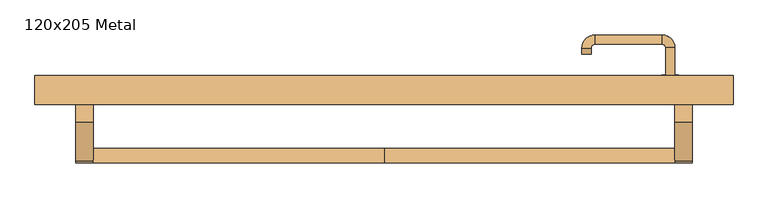
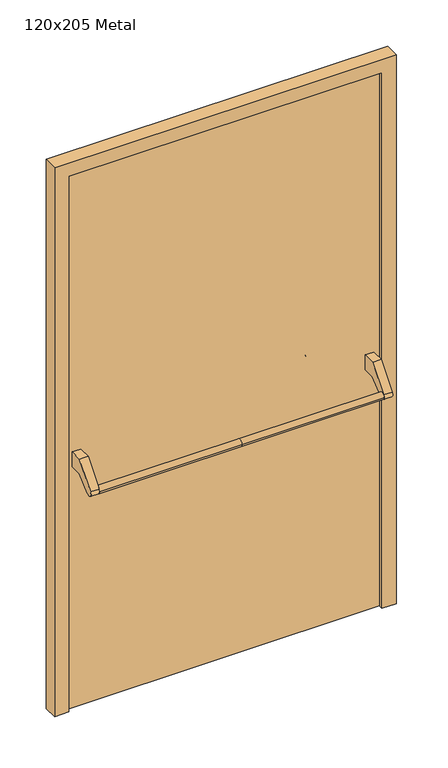
"""IFC4 building model written with IfcOpenShell, lengths in millimetres: door geometry, 120x205 Metal."""

from ifc_helpers import new_model, si_unit, point, frame, frame_2d, origin, origin_with_axes, place, context, project, spatial, polyline, circle_curve, ellipse_curve, trimmed, segment, composite_curve, outline, extrude, source, transform, mapped, element, save
from ifc_brep_helpers import plane_surface, cylinder_surface, revolved_surface, advanced_brep


def door_120x205_metal_583ddefd(model_context):
    return source(origin(), model_context, "Body", "SolidModel", [
        advanced_brep(
        [(-500.0, -25.4171435, 861.5304884), (-500.0, -50.4171435, 861.5304884), (0.0, -25.4171435, 861.5304884), (0.0, -50.4171435, 861.5304884), (500.0, -25.4171435, 861.5304884), (500.0, -50.4171435, 861.5304884)],
        [
            (0, 1, circle_curve(frame((-500.0, -37.9171435, 861.5304884), z_axis=(-1.0, 0.0, 0.0), x_axis=(0.0, -1.0, 0.0)), 12.5)),
            (1, 0, circle_curve(frame((-500.0, -37.9171435, 861.5304884), z_axis=(-1.0, 0.0, 0.0), x_axis=(0.0, -1.0, 0.0)), 12.5)),
            (0, 2),
            (2, 3, circle_curve(frame((0.0, -37.9171435, 861.5304884), z_axis=(-1.0, 0.0, 0.0), x_axis=(0.0, -1.0, 0.0)), 12.5)),
            (3, 1),
            (3, 2, circle_curve(frame((0.0, -37.9171435, 861.5304884), z_axis=(-1.0, 0.0, 0.0), x_axis=(0.0, -1.0, 0.0)), 12.5)),
            (4, 5, circle_curve(frame((500.0, -37.9171435, 861.5304884), z_axis=(1.0, 0.0, 0.0), x_axis=(0.0, -1.0, 0.0)), 12.5)),
            (5, 4, circle_curve(frame((500.0, -37.9171435, 861.5304884), z_axis=(1.0, 0.0, 0.0), x_axis=(0.0, -1.0, 0.0)), 12.5)),
            (5, 3),
            (2, 4),
        ],
        [
            plane_surface(frame((-500.0, -50.4171435, 861.5304884), z_axis=(-1.0, 0.0, 0.0), x_axis=(0.0, 0.0, -1.0))),
            cylinder_surface(frame((-500.0, -37.9171435, 861.5304884), z_axis=(1.0, 0.0, 0.0), x_axis=(0.0, -1.0, 0.0)), 12.5),
            plane_surface(frame((500.0, -50.4171435, 861.5304884), z_axis=(1.0, 0.0, 0.0), x_axis=(0.0, 0.0, 1.0))),
            cylinder_surface(frame((0.0, -37.9171435, 861.5304884), z_axis=(1.0, 0.0, 0.0), x_axis=(0.0, -1.0, 0.0)), 12.5),
        ],
        [
            (0, [[1, 2]]),
            (1, [[3, 4, 5, -1]]),
            (1, [[-5, 6, -3, -2]]),
            (2, [[7, 8]]),
            (3, [[9, -4, 10, -8]]),
            (3, [[-10, -6, -9, -7]]),
        ],
    ),
        extrude(outline(composite_curve([segment(polyline([(20.0, 950.0), (65.0, 950.0), (65.0, 895.2768379), (21.4513009, 895.2768379), (-28.3415879, 853.4956432)]), True, "CONTINUOUS"), segment(trimmed(circle_curve(frame_2d((-37.9171435, 861.5304884)), 12.5), [point((-28.3415879, 853.4956432))], [point((-47.492699, 869.5653335))], False, "CARTESIAN"), True, "CONTINUOUS"), segment(polyline([(-47.492699, 869.5653335), (20.0, 950.0)]), True, "CONTINUOUS")], self_intersect=False)), frame((-530.0, 0.0, 0.0), z_axis=(1.0, 0.0, 0.0), x_axis=(0.0, 1.0, 0.0)), (0.0, 0.0, 1.0), 30.0),
        extrude(outline(composite_curve([segment(polyline([(20.0, 950.0), (65.0, 950.0), (65.0, 895.2768379), (21.4513009, 895.2768379), (-28.3415879, 853.4956432)]), True, "CONTINUOUS"), segment(trimmed(circle_curve(frame_2d((-37.9171435, 861.5304884)), 12.5), [point((-28.3415879, 853.4956432))], [point((-47.492699, 869.5653335))], False, "CARTESIAN"), True, "CONTINUOUS"), segment(polyline([(-47.492699, 869.5653335), (20.0, 950.0)]), True, "CONTINUOUS")], self_intersect=False)), frame((500.0, 0.0, 0.0), z_axis=(1.0, 0.0, 0.0), x_axis=(0.0, 1.0, 0.0)), (0.0, 0.0, 1.0), 30.0),
        extrude(outline(composite_curve([segment(trimmed(circle_curve(frame_2d((0.0, -15.0)), 15.0), [point((0.0, -30.0))], [point((0.0, 0.0))], False, "CARTESIAN"), True, "CONTINUOUS"), segment(trimmed(circle_curve(frame_2d((0.0, -15.0)), 15.0), [point((0.0, 0.0))], [point((0.0, -30.0))], False, "CARTESIAN"), True, "CONTINUOUS")], self_intersect=False), holes=[composite_curve([segment(trimmed(circle_curve(frame_2d((4.7772515, -14.9398032)), 2.0), [point((4.7772515, -16.9398032))], [point((4.7772515, -12.9398032))], True, "CARTESIAN"), True, "CONTINUOUS"), segment(polyline([(4.7772515, -12.9398032), (-5.2227485, -12.9398032)]), True, "CONTINUOUS"), segment(trimmed(circle_curve(frame_2d((-5.2227485, -14.9398032)), 2.0), [point((-5.2227485, -12.9398032))], [point((-5.2227485, -16.9398032))], True, "CARTESIAN"), True, "CONTINUOUS"), segment(polyline([(-5.2227485, -16.9398032), (4.7772515, -16.9398032)]), True, "CONTINUOUS")], self_intersect=False)]), frame((477.0, 95.0, 897.3605726), z_axis=(1.8870575173328306e-12, 1.0, 0.0), x_axis=(0.0, 0.0, -1.0)), (0.0, 0.0, 1.0), 6.35),
        extrude(outline(composite_curve([segment(trimmed(circle_curve(frame_2d((0.0, -17.526)), 17.526), [point((0.0, -35.052))], [point((0.0, 0.0))], False, "CARTESIAN"), True, "CONTINUOUS"), segment(trimmed(circle_curve(frame_2d((0.0, -17.526)), 17.526), [point((0.0, 0.0))], [point((0.0, -35.052))], False, "CARTESIAN"), True, "CONTINUOUS")], self_intersect=False)), frame((474.474, 95.0, 950.0), z_axis=(1.8870575173328306e-12, 1.0, 0.0), x_axis=(0.0, 0.0, -1.0)), (0.0, 0.0, 1.0), 3.175),
        advanced_brep(
        [(500.0, 95.0, 950.0), (484.0, 95.0, 950.0), (500.0, 148.0, 950.0), (484.0, 148.0, 950.0), (477.8578644, 154.1421356, 950.0), (477.8578644, 170.1421356, 950.0), (362.8578644, 170.1421356, 950.0), (362.8578644, 154.1421356, 950.0), (356.008622, 147.2928932, 950.0), (340.008622, 147.2928932, 950.0), (340.008622, 137.2928932, 950.0), (356.008622, 137.2928932, 950.0)],
        [
            (0, 1, circle_curve(frame((492.0, 95.0, 950.0), z_axis=(-1.888672253512351e-12, -1.0, 0.0), x_axis=(-1.0, 1.888672253512351e-12, 0.0)), 8.0)),
            (1, 0, circle_curve(frame((492.0, 95.0, 950.0), z_axis=(-1.888672253512351e-12, -1.0, 0.0), x_axis=(-1.0, 1.888672253512351e-12, 0.0)), 8.0)),
            (0, 2),
            (2, 3, circle_curve(frame((492.0, 148.0, 950.0), z_axis=(-1.888672253512351e-12, -1.0, 0.0), x_axis=(-1.0, 1.888672253512351e-12, 0.0)), 8.0)),
            (3, 1),
            (3, 2, circle_curve(frame((492.0, 148.0, 950.0), z_axis=(-1.888672253512351e-12, -1.0, 0.0), x_axis=(-1.0, 1.888672253512351e-12, 0.0)), 8.0)),
            (4, 3, circle_curve(frame((477.8578644, 148.0, 950.0), z_axis=(0.0, 0.0, -1.0), x_axis=(1.0, -1.880717803715015e-12, 0.0)), 6.1421356)),
            (2, 5, circle_curve(frame((477.8578644, 148.0, 950.0), z_axis=(0.0, 0.0, 1.0), x_axis=(1.0, -1.880717803715015e-12, 0.0)), 22.1421356)),
            (5, 4, circle_curve(frame((477.8578644, 162.1421356, 950.0), z_axis=(1.0, -1.913702061528922e-12, 0.0), x_axis=(-1.913702061528922e-12, -1.0, 0.0)), 8.0)),
            (4, 5, circle_curve(frame((477.8578644, 162.1421356, 950.0), z_axis=(1.0, -1.913702061528922e-12, 0.0), x_axis=(-1.913702061528922e-12, -1.0, 0.0)), 8.0)),
            (5, 6),
            (6, 7, circle_curve(frame((362.8578644, 162.1421356, 950.0), z_axis=(1.0, -1.913719828541269e-12, 0.0), x_axis=(-1.913719828541269e-12, -1.0, 0.0)), 8.0)),
            (7, 4),
            (7, 6, circle_curve(frame((362.8578644, 162.1421356, 950.0), z_axis=(1.0, -1.913719828541269e-12, 0.0), x_axis=(-1.913719828541269e-12, -1.0, 0.0)), 8.0)),
            (8, 7, circle_curve(frame((362.8578644, 147.2928932, 950.0), z_axis=(0.0, 0.0, -1.0), x_axis=(1.9120873253494017e-12, 1.0, 0.0)), 6.8492424)),
            (6, 9, circle_curve(frame((362.8578644, 147.2928932, 950.0), z_axis=(0.0, 0.0, 1.0), x_axis=(1.9120873253494017e-12, 1.0, 0.0)), 22.8492424)),
            (9, 8, circle_curve(frame((348.008622, 147.2928932, 950.0), z_axis=(1.890670654956676e-12, 1.0, 0.0), x_axis=(1.0, -1.890670654956676e-12, 0.0)), 8.0)),
            (8, 9, circle_curve(frame((348.008622, 147.2928932, 950.0), z_axis=(1.890226565746826e-12, 1.0, 0.0), x_axis=(1.0, -1.890226565746826e-12, 0.0)), 8.0)),
            (10, 11, circle_curve(frame((348.008622, 137.2928932, 950.0), z_axis=(-1.8903642334018795e-12, -1.0, 0.0), x_axis=(1.0, -1.8903642334018795e-12, 0.0)), 8.0)),
            (11, 10, circle_curve(frame((348.008622, 137.2928932, 950.0), z_axis=(-1.8903642334018795e-12, -1.0, 0.0), x_axis=(1.0, -1.8903642334018795e-12, 0.0)), 8.0)),
            (9, 10),
            (11, 8),
        ],
        [
            plane_surface(frame((492.0, 95.0, 170.0), z_axis=(-1.8870575173328306e-12, -1.0, 0.0), x_axis=(0.0, 0.0, 1.0))),
            cylinder_surface(frame((492.0, 95.0, 950.0), z_axis=(-1.888672253512351e-12, -1.0, 0.0), x_axis=(-1.0, 1.888672253512351e-12, 0.0)), 8.0),
            revolved_surface(trimmed(ellipse_curve(frame((492.0, 148.0, 950.0), z_axis=(-1.8823325398945356e-12, -1.0, 0.0), x_axis=(-1.0, 1.8823325398945356e-12, 0.0)), 8.0, 8.0), [point((500.0, 148.0, 950.0))], [point((484.0, 148.0, 950.0))], True, "CARTESIAN"), (477.8578644, 148.0, 170.0), (0.0, 0.0, 1.0)),
            revolved_surface(trimmed(ellipse_curve(frame((492.0, 148.0, 950.0), z_axis=(-1.8823325398945356e-12, -1.0, 0.0), x_axis=(-1.0, 1.8823325398945356e-12, 0.0)), 8.0, 8.0), [point((484.0, 148.0, 950.0))], [point((500.0, 148.0, 950.0))], True, "CARTESIAN"), (477.8578644, 148.0, 170.0), (0.0, 0.0, 1.0)),
            cylinder_surface(frame((477.8578644, 162.1421356, 950.0), z_axis=(1.0, -1.913719828541269e-12, 0.0), x_axis=(-1.913719828541269e-12, -1.0, 0.0)), 8.0),
            revolved_surface(trimmed(ellipse_curve(frame((362.8578644, 162.1421356, 950.0), z_axis=(1.0, -1.913702061528922e-12, 0.0), x_axis=(-1.913702061528922e-12, -1.0, 0.0)), 8.0, 8.0), [point((362.8578644, 170.1421356, 950.0))], [point((362.8578644, 154.1421356, 950.0))], True, "CARTESIAN"), (362.8578644, 147.2928932, 170.0), (0.0, 0.0, 1.0)),
            revolved_surface(trimmed(ellipse_curve(frame((362.8578644, 162.1421356, 950.0), z_axis=(1.0, -1.913702061528922e-12, 0.0), x_axis=(-1.913702061528922e-12, -1.0, 0.0)), 8.0, 8.0), [point((362.8578644, 154.1421356, 950.0))], [point((362.8578644, 170.1421356, 950.0))], True, "CARTESIAN"), (362.8578644, 147.2928932, 170.0), (0.0, 0.0, 1.0)),
            plane_surface(frame((348.008622, 137.2928932, 170.0), z_axis=(-1.8887494972223595e-12, -1.0, 0.0), x_axis=(0.0, 0.0, 1.0))),
            cylinder_surface(frame((348.008622, 147.2928932, 950.0), z_axis=(1.8903642334018795e-12, 1.0, 0.0), x_axis=(1.0, -1.8903642334018795e-12, 0.0)), 8.0),
        ],
        [
            (0, [[1, 2]]),
            (1, [[-1, 3, 4, 5]]),
            (1, [[-2, -5, 6, -3]]),
            (2, [[7, -4, 8, 9]]),
            (3, [[-8, -6, -7, 10]]),
            (4, [[-9, 11, 12, 13]]),
            (4, [[-10, -13, 14, -11]]),
            (5, [[15, -12, 16, 17]]),
            (6, [[-16, -14, -15, 18]]),
            (7, [[19, 20]]),
            (8, [[-17, 21, -20, 22]]),
            (8, [[-18, -22, -19, -21]]),
        ],
    ),
        extrude(outline(polyline([(1990.0, 550.0), (0.0, 550.0), (0.0, 600.0), (2040.0, 600.0), (2040.0, -600.0), (0.0, -600.0), (0.0, -550.0), (1990.0, -550.0), (1990.0, 550.0)])), frame((0.0, 50.0, 0.0), z_axis=(0.0, 1.0, 0.0), x_axis=(0.0, 0.0, 1.0)), (0.0, 0.0, 1.0), 50.0),
        extrude(outline(polyline([(-550.0, 95.0), (550.0, 95.0), (550.0, 65.0), (-550.0, 65.0), (-550.0, 95.0)])), origin_with_axes(), (0.0, 0.0, 1.0), 1990.0),
    ])


if __name__ == "__main__":
    model = new_model("IFC4")
    model_context = context("Model", 3, world=origin())
    ifc_project = project(units=[si_unit("LENGTHUNIT", "METRE", prefix="MILLI")], contexts=[model_context])
    site = spatial("IfcSite", under=ifc_project)
    building = spatial("IfcBuilding", under=site)
    placement = place(None, origin())
    door_120x205_metal_shape = door_120x205_metal_583ddefd(model_context)
    element("IfcDoor", 1, ObjectType="120x205 Metal", at=placement, inside=building, context=model_context, shape_type="MappedRepresentation", body=[
        mapped(door_120x205_metal_shape, transform((0.0, 0.0, 0.0), x_axis=(1.0, 0.0, 0.0), y_axis=(0.0, 1.0, 0.0), z_axis=(0.0, 0.0, 1.0))),
    ])
    save(model, "model.ifc")
